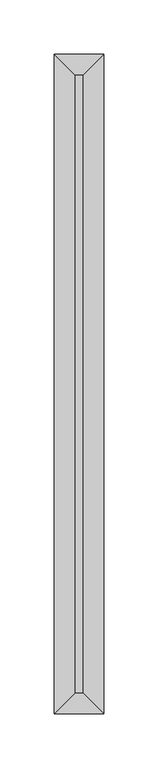
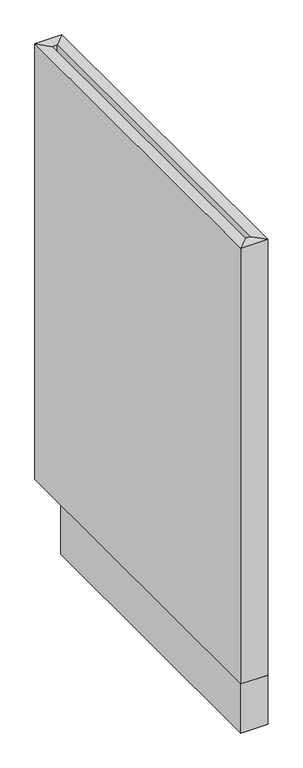
"""IFC4 building model written with IfcOpenShell, lengths in millimetres: furniture geometry."""

from ifc_helpers import new_model, si_unit, frame, origin, origin_with_axes, place, context, project, spatial, polyline, outline, extrude, faceted_brep, source, transform, mapped, element, save


def furniture_19721bb2(model_context):
    return source(origin(), model_context, "Body", "SolidModel", [
        extrude(outline(polyline([(22.6568455, 19.05), (14.8185643, 19.05), (14.8185643, 590.55), (22.6568455, 590.55), (22.6568455, 19.05)])), frame((0.0, 0.0, 88.9), z_axis=(0.0, 0.0, 1.0), x_axis=(1.0, 0.0, 0.0)), (0.0, 0.0, 1.0), 19.05),
        faceted_brep([(22.6568455, 590.55, 876.3), (14.8185643, 590.55, 876.3), (14.8185643, 590.55, 88.9), (22.6568455, 590.55, 88.9), (41.7068455, 609.6, 876.3), (-4.2314357, 609.6, 876.3), (41.7068455, 609.6, 88.9), (-4.2314357, 609.6, 88.9), (14.8185643, 19.05, 876.3), (14.8185643, 19.05, 88.9), (-4.2314357, 0.0, 876.3), (-4.2314357, 0.0, 88.9), (22.6568455, 19.05, 876.3), (22.6568455, 19.05, 88.9), (41.7068455, 0.0, 876.3), (41.7068455, 0.0, 88.9)], [[[0, 1, 2, 3]], [[4, 5, 1, 0]], [[6, 7, 5, 4]], [[3, 2, 7, 6]], [[1, 8, 9, 2]], [[5, 10, 8, 1]], [[7, 11, 10, 5]], [[2, 9, 11, 7]], [[8, 12, 13, 9]], [[10, 14, 12, 8]], [[11, 15, 14, 10]], [[9, 13, 15, 11]], [[12, 0, 3, 13]], [[14, 4, 0, 12]], [[15, 6, 4, 14]], [[13, 3, 6, 15]]]),
        extrude(outline(polyline([(41.7068455, 0.0), (-4.2314357, 0.0), (-4.2314357, 533.4), (41.7068455, 533.4), (41.7068455, 0.0)])), origin_with_axes(), (0.0, 0.0, 1.0), 88.9),
    ])


if __name__ == "__main__":
    model = new_model("IFC4")
    model_context = context("Model", 3, world=origin())
    ifc_project = project(units=[si_unit("LENGTHUNIT", "METRE", prefix="MILLI")], contexts=[model_context])
    site = spatial("IfcSite", under=ifc_project)
    building = spatial("IfcBuilding", under=site)
    placement = place(None, origin())
    furniture_shape = furniture_19721bb2(model_context)
    element("IfcFurniture", 1, at=placement, inside=building, context=model_context, shape_type="MappedRepresentation", body=[
        mapped(furniture_shape, transform((0.0, 0.0, 0.0), x_axis=(1.0, 0.0, 0.0), y_axis=(0.0, 1.0, 0.0), z_axis=(0.0, 0.0, 1.0))),
    ])
    save(model, "model.ifc")
